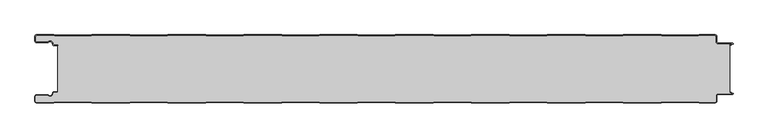
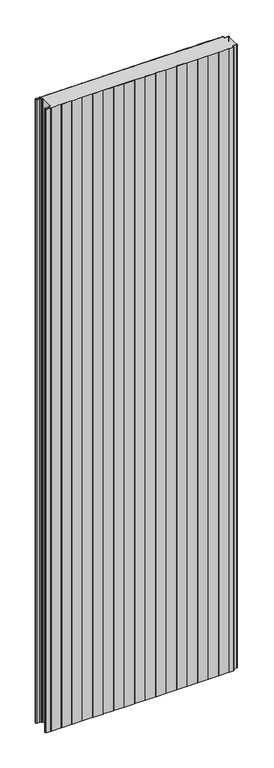
"""IFC4 building model written with IfcOpenShell, lengths in millimetres: plate geometry."""

from ifc_helpers import new_model, si_unit, point, frame_2d, origin, origin_with_axes, place, context, project, spatial, polyline, circle_curve, trimmed, segment, composite_curve, outline, extrude, source, transform, mapped, element, save


def plate_281635d9(model_context):
    return source(origin(), model_context, "Body", "SweptSolid", [
        extrude(outline(composite_curve([segment(trimmed(circle_curve(frame_2d((-497.49499, -9.0180361)), 2.50501), [point((-497.49499, -11.5230461))], [point((-500.0, -9.0180361))], False, "CARTESIAN"), True, "CONTINUOUS"), segment(polyline([(-500.0, -9.0180361), (-500.0, -2.50501)]), True, "CONTINUOUS"), segment(trimmed(circle_curve(frame_2d((-497.49499, -2.50501)), 2.50501), [point((-500.0, -2.50501))], [point((-497.49499, 0.0))], False, "CARTESIAN"), True, "CONTINUOUS"), segment(polyline([(-497.49499, 0.0), (-472.2103007, 0.0), (-471.028188, -0.6012024), (-417.6391467, -0.6012024), (-416.457034, 0.0), (-360.8776353, 0.0), (-359.6955227, -0.6012024), (-306.3064814, -0.6012024), (-305.1243687, 0.0), (-249.54497, 0.0), (-248.3628573, -0.6012024), (-194.973816, -0.6012024), (-193.7917033, 0.0), (-138.2123047, 0.0), (-137.030192, -0.6012024), (-83.6411507, -0.6012024), (-82.459038, 0.0), (-26.8796393, 0.0), (-25.6975267, -0.6012024), (27.6915146, -0.6012024), (28.8736273, 0.0), (84.453026, 0.0), (85.6351387, -0.6012024), (139.02418, -0.6012024), (140.2062927, 0.0), (195.7856913, 0.0), (196.967804, -0.6012024), (250.3568453, -0.6012024), (251.538958, 0.0), (307.1183566, 0.0), (308.3004693, -0.6012024), (361.6895106, -0.6012024), (362.8716233, 0.0), (418.451022, 0.0), (419.6331347, -0.6012024), (473.022176, -0.6012024), (474.2042886, 0.0), (497.49499, 0.0)]), True, "CONTINUOUS"), segment(trimmed(circle_curve(frame_2d((497.49499, -2.50501)), 2.50501), [point((497.49499, 0.0))], [point((500.0, -2.50501))], False, "CARTESIAN"), True, "CONTINUOUS"), segment(polyline([(500.0, -2.50501), (500.0, -10.0200401)]), True, "CONTINUOUS"), segment(trimmed(circle_curve(frame_2d((502.004008, -10.0200401)), 2.004008), [point((500.0, -10.0200401))], [point((502.004008, -12.0240481))], True, "CARTESIAN"), True, "CONTINUOUS"), segment(polyline([(502.004008, -12.0240481), (523.0460922, -12.0240481)]), True, "CONTINUOUS"), segment(trimmed(circle_curve(frame_2d((523.0460922, -13.0260521)), 1.002004), [point((523.0460922, -12.0240481))], [point((523.5470942, -13.893813))], False, "CARTESIAN"), True, "CONTINUOUS"), segment(polyline([(523.5470942, -13.893813), (519.5390782, -16.2078422), (519.1390782, -15.5150218), (522.183956, -13.7570608)]), True, "CONTINUOUS"), segment(trimmed(circle_curve(frame_2d((521.933956, -13.3240481)), 0.5), [point((522.183956, -13.7570608))], [point((521.933956, -12.8240481))], True, "CARTESIAN"), True, "CONTINUOUS"), segment(polyline([(521.933956, -12.8240481), (502.004008, -12.8240481)]), True, "CONTINUOUS"), segment(trimmed(circle_curve(frame_2d((502.004008, -10.0200401)), 2.804008), [point((502.004008, -12.8240481))], [point((499.2, -10.0200401))], False, "CARTESIAN"), True, "CONTINUOUS"), segment(polyline([(499.2, -10.0200401), (499.2, -2.50501)]), True, "CONTINUOUS"), segment(trimmed(circle_curve(frame_2d((497.49499, -2.50501)), 1.70501), [point((499.2, -2.50501))], [point((497.49499, -0.8))], True, "CARTESIAN"), True, "CONTINUOUS"), segment(polyline([(497.49499, -0.8), (474.396035, -0.8), (473.2139223, -1.4012024), (419.4413883, -1.4012024), (418.2592756, -0.8), (363.0633697, -0.8), (361.881257, -1.4012024), (308.108723, -1.4012024), (306.9266103, -0.8), (251.7307044, -0.8), (250.5485917, -1.4012024), (196.7760576, -1.4012024), (195.5939449, -0.8), (140.398039, -0.8), (139.2159263, -1.4012024), (85.4433923, -1.4012024), (84.2612796, -0.8), (29.0653737, -0.8), (27.883261, -1.4012024), (-25.889273, -1.4012024), (-27.0713857, -0.8), (-82.2672916, -0.8), (-83.4494043, -1.4012024), (-137.2219384, -1.4012024), (-138.4040511, -0.8), (-193.599957, -0.8), (-194.7820696, -1.4012024), (-248.5546037, -1.4012024), (-249.7367164, -0.8), (-304.9326223, -0.8), (-306.114735, -1.4012024), (-359.887269, -1.4012024), (-361.0693817, -0.8), (-416.2652876, -0.8), (-417.4474003, -1.4012024), (-471.2199344, -1.4012024), (-472.4020471, -0.8), (-497.49499, -0.8)]), True, "CONTINUOUS"), segment(trimmed(circle_curve(frame_2d((-497.49499, -2.50501)), 1.70501), [point((-497.49499, -0.8))], [point((-499.2, -2.50501))], True, "CARTESIAN"), True, "CONTINUOUS"), segment(polyline([(-499.2, -2.50501), (-499.2, -9.0180361)]), True, "CONTINUOUS"), segment(trimmed(circle_curve(frame_2d((-497.49499, -9.0180361)), 1.70501), [point((-499.2, -9.0180361))], [point((-497.49499, -10.7230461))], True, "CARTESIAN"), True, "CONTINUOUS"), segment(polyline([(-497.49499, -10.7230461), (-481.8173283, -10.7230461)]), True, "CONTINUOUS"), segment(trimmed(circle_curve(frame_2d((-481.8173283, -9.0180361)), 1.70501), [point((-481.8173283, -10.7230461))], [point((-480.6895701, -10.2967936))], True, "CARTESIAN"), True, "CONTINUOUS"), segment(trimmed(circle_curve(frame_2d((-477.8407481, -13.5270541)), 4.307014), [point((-480.6895701, -10.2967936))], [point((-473.7934788, -12.0539686))], False, "CARTESIAN"), True, "CONTINUOUS"), segment(polyline([(-473.7934788, -12.0539686), (-473.0450711, -14.1102019)]), True, "CONTINUOUS"), segment(trimmed(circle_curve(frame_2d((-471.4428858, -13.5270541)), 1.70501), [point((-473.0450711, -14.1102019))], [point((-471.4428858, -15.2320641))], True, "CARTESIAN"), True, "CONTINUOUS"), segment(polyline([(-471.4428858, -15.2320641), (-466.4328657, -15.2320641), (-466.4328657, -16.0320641), (-471.4428858, -16.0320641)]), True, "CONTINUOUS"), segment(trimmed(circle_curve(frame_2d((-471.4428858, -13.5270541)), 2.50501), [point((-471.4428858, -16.0320641))], [point((-473.7968252, -14.383818))], False, "CARTESIAN"), True, "CONTINUOUS"), segment(polyline([(-473.7968252, -14.383818), (-474.5452329, -12.3275847)]), True, "CONTINUOUS"), segment(trimmed(circle_curve(frame_2d((-477.8407481, -13.5270541)), 3.507014), [point((-474.5452329, -12.3275847))], [point((-480.1604199, -10.8967936))], True, "CARTESIAN"), True, "CONTINUOUS"), segment(trimmed(circle_curve(frame_2d((-481.8173283, -9.0180361)), 2.50501), [point((-480.1604199, -10.8967936))], [point((-481.8173283, -11.5230461))], False, "CARTESIAN"), True, "CONTINUOUS"), segment(polyline([(-481.8173283, -11.5230461), (-497.49499, -11.5230461)]), True, "CONTINUOUS")], self_intersect=False)), origin_with_axes(), (0.0, 0.0, 1.0), 3500.0),
        extrude(outline(composite_curve([segment(trimmed(circle_curve(frame_2d((-471.4428858, -13.5270541)), 1.70501), [point((-471.4428858, -15.2320641))], [point((-473.0450711, -14.1102019))], False, "CARTESIAN"), True, "CONTINUOUS"), segment(polyline([(-473.0450711, -14.1102019), (-473.7934788, -12.0539686)]), True, "CONTINUOUS"), segment(trimmed(circle_curve(frame_2d((-477.8407481, -13.5270541)), 4.307014), [point((-473.7934788, -12.0539686))], [point((-480.6895701, -10.2967936))], True, "CARTESIAN"), True, "CONTINUOUS"), segment(trimmed(circle_curve(frame_2d((-481.8173283, -9.0180361)), 1.70501), [point((-480.6895701, -10.2967936))], [point((-481.8173283, -10.7230461))], False, "CARTESIAN"), True, "CONTINUOUS"), segment(polyline([(-481.8173283, -10.7230461), (-497.49499, -10.7230461)]), True, "CONTINUOUS"), segment(trimmed(circle_curve(frame_2d((-497.49499, -9.0180361)), 1.70501), [point((-497.49499, -10.7230461))], [point((-499.2, -9.0180361))], False, "CARTESIAN"), True, "CONTINUOUS"), segment(polyline([(-499.2, -9.0180361), (-499.2, -2.50501)]), True, "CONTINUOUS"), segment(trimmed(circle_curve(frame_2d((-497.49499, -2.50501)), 1.70501), [point((-499.2, -2.50501))], [point((-497.49499, -0.8))], False, "CARTESIAN"), True, "CONTINUOUS"), segment(polyline([(-497.49499, -0.8), (-472.4020471, -0.8), (-471.2199344, -1.4012024), (-417.4474003, -1.4012024), (-416.2652876, -0.8), (-361.0693817, -0.8), (-359.887269, -1.4012024), (-306.114735, -1.4012024), (-304.9326223, -0.8), (-249.7367164, -0.8), (-248.5546037, -1.4012024), (-194.7820696, -1.4012024), (-193.599957, -0.8), (-138.4040511, -0.8), (-137.2219384, -1.4012024), (-83.4494043, -1.4012024), (-82.2672916, -0.8), (-27.0713857, -0.8), (-25.889273, -1.4012024), (27.883261, -1.4012024), (29.0653737, -0.8), (84.2612796, -0.8), (85.4433923, -1.4012024), (139.2159263, -1.4012024), (140.398039, -0.8), (195.5939449, -0.8), (196.7760576, -1.4012024), (250.5485917, -1.4012024), (251.7307044, -0.8), (306.9266103, -0.8), (308.108723, -1.4012024), (361.881257, -1.4012024), (363.0633697, -0.8), (418.2592756, -0.8), (419.4413883, -1.4012024), (473.2139223, -1.4012024), (474.396035, -0.8), (497.49499, -0.8)]), True, "CONTINUOUS"), segment(trimmed(circle_curve(frame_2d((497.49499, -2.50501)), 1.70501), [point((497.49499, -0.8))], [point((499.2, -2.50501))], False, "CARTESIAN"), True, "CONTINUOUS"), segment(polyline([(499.2, -2.50501), (499.2, -10.0200401)]), True, "CONTINUOUS"), segment(trimmed(circle_curve(frame_2d((502.004008, -10.0200401)), 2.804008), [point((499.2, -10.0200401))], [point((502.004008, -12.8240481))], True, "CARTESIAN"), True, "CONTINUOUS"), segment(polyline([(502.004008, -12.8240481), (521.933956, -12.8240481)]), True, "CONTINUOUS"), segment(trimmed(circle_curve(frame_2d((521.933956, -13.3240481)), 0.5), [point((521.933956, -12.8240481))], [point((522.183956, -13.7570608))], False, "CARTESIAN"), True, "CONTINUOUS"), segment(polyline([(522.183956, -13.7570608), (519.1390782, -15.5150218), (519.1390782, -84.4849782), (522.183956, -86.2429392)]), True, "CONTINUOUS"), segment(trimmed(circle_curve(frame_2d((521.933956, -86.6759519)), 0.5), [point((522.183956, -86.2429392))], [point((521.933956, -87.1759519))], False, "CARTESIAN"), True, "CONTINUOUS"), segment(polyline([(521.933956, -87.1759519), (502.004008, -87.1759519)]), True, "CONTINUOUS"), segment(trimmed(circle_curve(frame_2d((502.004008, -89.9799599)), 2.804008), [point((502.004008, -87.1759519))], [point((499.2, -89.9799599))], True, "CARTESIAN"), True, "CONTINUOUS"), segment(polyline([(499.2, -89.9799599), (499.2, -97.49499)]), True, "CONTINUOUS"), segment(trimmed(circle_curve(frame_2d((497.49499, -97.49499)), 1.70501), [point((499.2, -97.49499))], [point((497.49499, -99.2))], False, "CARTESIAN"), True, "CONTINUOUS"), segment(polyline([(497.49499, -99.2), (474.396035, -99.2), (473.2139223, -98.5987976), (419.4413883, -98.5987976), (418.2592756, -99.2), (363.0633697, -99.2), (361.881257, -98.5987976), (308.108723, -98.5987976), (306.9266103, -99.2), (251.7307044, -99.2), (250.5485917, -98.5987976), (196.7760576, -98.5987976), (195.5939449, -99.2), (140.398039, -99.2), (139.2159263, -98.5987976), (85.4433923, -98.5987976), (84.2612796, -99.2), (29.0653737, -99.2), (27.883261, -98.5987976), (-25.889273, -98.5987976), (-27.0713857, -99.2), (-82.2672916, -99.2), (-83.4494043, -98.5987976), (-137.2219384, -98.5987976), (-138.4040511, -99.2), (-193.599957, -99.2), (-194.7820696, -98.5987976), (-248.5546037, -98.5987976), (-249.7367164, -99.2), (-304.9326223, -99.2), (-306.114735, -98.5987976), (-359.887269, -98.5987976), (-361.0693817, -99.2), (-416.2652876, -99.2), (-417.4474003, -98.5987976), (-471.2199344, -98.5987976), (-472.4020471, -99.2), (-497.49499, -99.2)]), True, "CONTINUOUS"), segment(trimmed(circle_curve(frame_2d((-497.49499, -97.49499)), 1.70501), [point((-497.49499, -99.2))], [point((-499.2, -97.49499))], False, "CARTESIAN"), True, "CONTINUOUS"), segment(polyline([(-499.2, -97.49499), (-499.2, -90.9819639)]), True, "CONTINUOUS"), segment(trimmed(circle_curve(frame_2d((-497.49499, -90.9819639)), 1.70501), [point((-499.2, -90.9819639))], [point((-497.49499, -89.2769539))], False, "CARTESIAN"), True, "CONTINUOUS"), segment(polyline([(-497.49499, -89.2769539), (-481.8173283, -89.2769539)]), True, "CONTINUOUS"), segment(trimmed(circle_curve(frame_2d((-481.8173283, -90.9819639)), 1.70501), [point((-481.8173283, -89.2769539))], [point((-480.6895701, -89.7032064))], False, "CARTESIAN"), True, "CONTINUOUS"), segment(trimmed(circle_curve(frame_2d((-477.8407481, -86.4729459)), 4.307014), [point((-480.6895701, -89.7032064))], [point((-473.7934788, -87.9460314))], True, "CARTESIAN"), True, "CONTINUOUS"), segment(polyline([(-473.7934788, -87.9460314), (-473.0450711, -85.8897981)]), True, "CONTINUOUS"), segment(trimmed(circle_curve(frame_2d((-471.4428858, -86.4729459)), 1.70501), [point((-473.0450711, -85.8897981))], [point((-471.4428858, -84.7679359))], False, "CARTESIAN"), True, "CONTINUOUS"), segment(polyline([(-471.4428858, -84.7679359), (-466.4328657, -84.7679359), (-466.4328657, -15.2320641), (-471.4428858, -15.2320641)]), True, "CONTINUOUS")], self_intersect=False)), origin_with_axes(), (0.0, 0.0, 1.0), 3500.0),
        extrude(outline(composite_curve([segment(polyline([(-497.49499, -88.4769539), (-481.8173283, -88.4769539)]), True, "CONTINUOUS"), segment(trimmed(circle_curve(frame_2d((-481.8173283, -90.9819639)), 2.50501), [point((-481.8173283, -88.4769539))], [point((-480.1604199, -89.1032064))], False, "CARTESIAN"), True, "CONTINUOUS"), segment(trimmed(circle_curve(frame_2d((-477.8407481, -86.4729459)), 3.507014), [point((-480.1604199, -89.1032064))], [point((-474.5452329, -87.6724153))], True, "CARTESIAN"), True, "CONTINUOUS"), segment(polyline([(-474.5452329, -87.6724153), (-473.7968252, -85.616182)]), True, "CONTINUOUS"), segment(trimmed(circle_curve(frame_2d((-471.4428858, -86.4729459)), 2.50501), [point((-473.7968252, -85.616182))], [point((-471.4428858, -83.9679359))], False, "CARTESIAN"), True, "CONTINUOUS"), segment(polyline([(-471.4428858, -83.9679359), (-466.4328657, -83.9679359), (-466.4328657, -84.7679359), (-471.4428858, -84.7679359)]), True, "CONTINUOUS"), segment(trimmed(circle_curve(frame_2d((-471.4428858, -86.4729459)), 1.70501), [point((-471.4428858, -84.7679359))], [point((-473.0450711, -85.8897981))], True, "CARTESIAN"), True, "CONTINUOUS"), segment(polyline([(-473.0450711, -85.8897981), (-473.7934788, -87.9460314)]), True, "CONTINUOUS"), segment(trimmed(circle_curve(frame_2d((-477.8407481, -86.4729459)), 4.307014), [point((-473.7934788, -87.9460314))], [point((-480.6895701, -89.7032064))], False, "CARTESIAN"), True, "CONTINUOUS"), segment(trimmed(circle_curve(frame_2d((-481.8173283, -90.9819639)), 1.70501), [point((-480.6895701, -89.7032064))], [point((-481.8173283, -89.2769539))], True, "CARTESIAN"), True, "CONTINUOUS"), segment(polyline([(-481.8173283, -89.2769539), (-497.49499, -89.2769539)]), True, "CONTINUOUS"), segment(trimmed(circle_curve(frame_2d((-497.49499, -90.9819639)), 1.70501), [point((-497.49499, -89.2769539))], [point((-499.2, -90.9819639))], True, "CARTESIAN"), True, "CONTINUOUS"), segment(polyline([(-499.2, -90.9819639), (-499.2, -97.49499)]), True, "CONTINUOUS"), segment(trimmed(circle_curve(frame_2d((-497.49499, -97.49499)), 1.70501), [point((-499.2, -97.49499))], [point((-497.49499, -99.2))], True, "CARTESIAN"), True, "CONTINUOUS"), segment(polyline([(-497.49499, -99.2), (-472.4020471, -99.2), (-471.2199344, -98.5987976), (-417.4474003, -98.5987976), (-416.2652876, -99.2), (-361.0693817, -99.2), (-359.887269, -98.5987976), (-306.114735, -98.5987976), (-304.9326223, -99.2), (-249.7367164, -99.2), (-248.5546037, -98.5987976), (-194.7820696, -98.5987976), (-193.599957, -99.2), (-138.4040511, -99.2), (-137.2219384, -98.5987976), (-83.4494043, -98.5987976), (-82.2672916, -99.2), (-27.0713857, -99.2), (-25.889273, -98.5987976), (27.883261, -98.5987976), (29.0653737, -99.2), (84.2612796, -99.2), (85.4433923, -98.5987976), (139.2159263, -98.5987976), (140.398039, -99.2), (195.5939449, -99.2), (196.7760576, -98.5987976), (250.5485917, -98.5987976), (251.7307044, -99.2), (306.9266103, -99.2), (308.108723, -98.5987976), (361.881257, -98.5987976), (363.0633697, -99.2), (418.2592756, -99.2), (419.4413883, -98.5987976), (473.2139223, -98.5987976), (474.396035, -99.2), (497.49499, -99.2)]), True, "CONTINUOUS"), segment(trimmed(circle_curve(frame_2d((497.49499, -97.49499)), 1.70501), [point((497.49499, -99.2))], [point((499.2, -97.49499))], True, "CARTESIAN"), True, "CONTINUOUS"), segment(polyline([(499.2, -97.49499), (499.2, -89.9799599)]), True, "CONTINUOUS"), segment(trimmed(circle_curve(frame_2d((502.004008, -89.9799599)), 2.804008), [point((499.2, -89.9799599))], [point((502.004008, -87.1759519))], False, "CARTESIAN"), True, "CONTINUOUS"), segment(polyline([(502.004008, -87.1759519), (521.933956, -87.1759519)]), True, "CONTINUOUS"), segment(trimmed(circle_curve(frame_2d((521.933956, -86.6759519)), 0.5), [point((521.933956, -87.1759519))], [point((522.183956, -86.2429392))], True, "CARTESIAN"), True, "CONTINUOUS"), segment(polyline([(522.183956, -86.2429392), (519.1390782, -84.4849782), (519.5390782, -83.7921578), (523.5470942, -86.106187)]), True, "CONTINUOUS"), segment(trimmed(circle_curve(frame_2d((523.0460922, -86.9739479)), 1.002004), [point((523.5470942, -86.106187))], [point((523.0460922, -87.9759519))], False, "CARTESIAN"), True, "CONTINUOUS"), segment(polyline([(523.0460922, -87.9759519), (502.004008, -87.9759519)]), True, "CONTINUOUS"), segment(trimmed(circle_curve(frame_2d((502.004008, -89.9799599)), 2.004008), [point((502.004008, -87.9759519))], [point((500.0, -89.9799599))], True, "CARTESIAN"), True, "CONTINUOUS"), segment(polyline([(500.0, -89.9799599), (500.0, -97.49499)]), True, "CONTINUOUS"), segment(trimmed(circle_curve(frame_2d((497.49499, -97.49499)), 2.50501), [point((500.0, -97.49499))], [point((497.49499, -100.0))], False, "CARTESIAN"), True, "CONTINUOUS"), segment(polyline([(497.49499, -100.0), (474.2042886, -100.0), (473.022176, -99.3987976), (419.6331347, -99.3987976), (418.451022, -100.0), (362.8716233, -100.0), (361.6895106, -99.3987976), (308.3004693, -99.3987976), (307.1183566, -100.0), (251.538958, -100.0), (250.3568453, -99.3987976), (196.967804, -99.3987976), (195.7856913, -100.0), (140.2062927, -100.0), (139.02418, -99.3987976), (85.6351387, -99.3987976), (84.453026, -100.0), (28.8736273, -100.0), (27.6915146, -99.3987976), (-25.6975267, -99.3987976), (-26.8796393, -100.0), (-82.459038, -100.0), (-83.6411507, -99.3987976), (-137.030192, -99.3987976), (-138.2123047, -100.0), (-193.7917033, -100.0), (-194.973816, -99.3987976), (-248.3628573, -99.3987976), (-249.54497, -100.0), (-305.1243687, -100.0), (-306.3064814, -99.3987976), (-359.6955227, -99.3987976), (-360.8776353, -100.0), (-416.457034, -100.0), (-417.6391467, -99.3987976), (-471.028188, -99.3987976), (-472.2103007, -100.0), (-497.49499, -100.0)]), True, "CONTINUOUS"), segment(trimmed(circle_curve(frame_2d((-497.49499, -97.49499)), 2.50501), [point((-497.49499, -100.0))], [point((-500.0, -97.49499))], False, "CARTESIAN"), True, "CONTINUOUS"), segment(polyline([(-500.0, -97.49499), (-500.0, -90.9819639)]), True, "CONTINUOUS"), segment(trimmed(circle_curve(frame_2d((-497.49499, -90.9819639)), 2.50501), [point((-500.0, -90.9819639))], [point((-497.49499, -88.4769539))], False, "CARTESIAN"), True, "CONTINUOUS")], self_intersect=False)), origin_with_axes(), (0.0, 0.0, 1.0), 3500.0),
    ])


if __name__ == "__main__":
    model = new_model("IFC4")
    model_context = context("Model", 3, world=origin())
    ifc_project = project(units=[si_unit("LENGTHUNIT", "METRE", prefix="MILLI")], contexts=[model_context])
    site = spatial("IfcSite", under=ifc_project)
    building = spatial("IfcBuilding", under=site)
    placement = place(None, origin())
    plate_shape = plate_281635d9(model_context)
    element("IfcPlate", 1, at=placement, inside=building, context=model_context, shape_type="MappedRepresentation", body=[
        mapped(plate_shape, transform((0.0, 0.0, 0.0), x_axis=(1.0, 0.0, 0.0), y_axis=(0.0, 1.0, 0.0), z_axis=(0.0, 0.0, 1.0))),
    ])
    save(model, "model.ifc")
